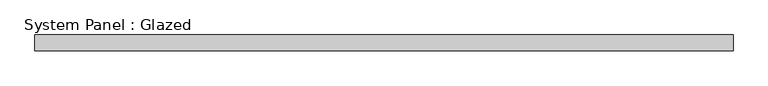
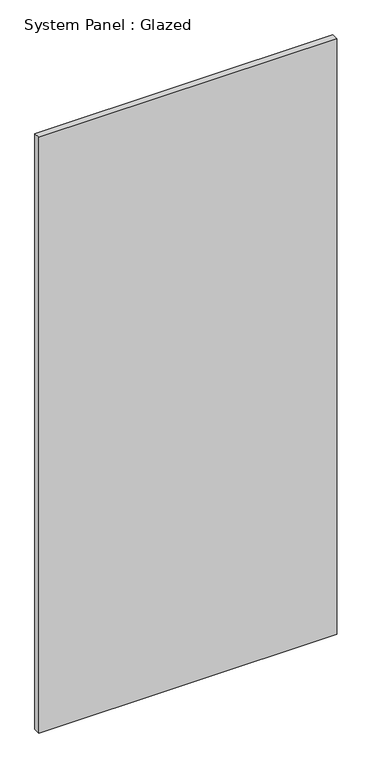
"""IFC4 building model written with IfcOpenShell, lengths in millimetres: plate geometry, System Panel : Glazed."""

from ifc_helpers import new_model, si_unit, origin, origin_with_axes, place, context, project, spatial, polyline, outline, extrude, source, transform, mapped, element, save


def system_panel_glazed_6dc13502(model_context):
    return source(origin(), model_context, "Body", "SweptSolid", [
        extrude(outline(polyline([(561.975, -44.45), (-561.975, -44.45), (-561.975, -19.05), (561.975, -19.05), (561.975, -44.45)])), origin_with_axes(), (0.0, 0.0, 1.0), 2374.9),
    ])


if __name__ == "__main__":
    model = new_model("IFC4")
    model_context = context("Model", 3, world=origin())
    ifc_project = project(units=[si_unit("LENGTHUNIT", "METRE", prefix="MILLI")], contexts=[model_context])
    site = spatial("IfcSite", under=ifc_project)
    building = spatial("IfcBuilding", under=site)
    placement = place(None, origin())
    system_panel_glazed_shape = system_panel_glazed_6dc13502(model_context)
    element("IfcPlate", 1, ObjectType="System Panel : Glazed", at=placement, inside=building, context=model_context, shape_type="MappedRepresentation", body=[
        mapped(system_panel_glazed_shape, transform((0.0, 0.0, 0.0), x_axis=(1.0, 0.0, 0.0), y_axis=(0.0, 1.0, 0.0), z_axis=(0.0, 0.0, 1.0))),
    ])
    save(model, "model.ifc")
